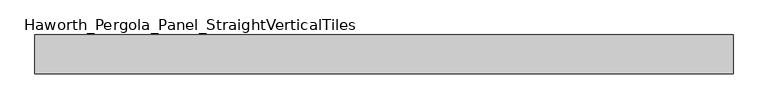
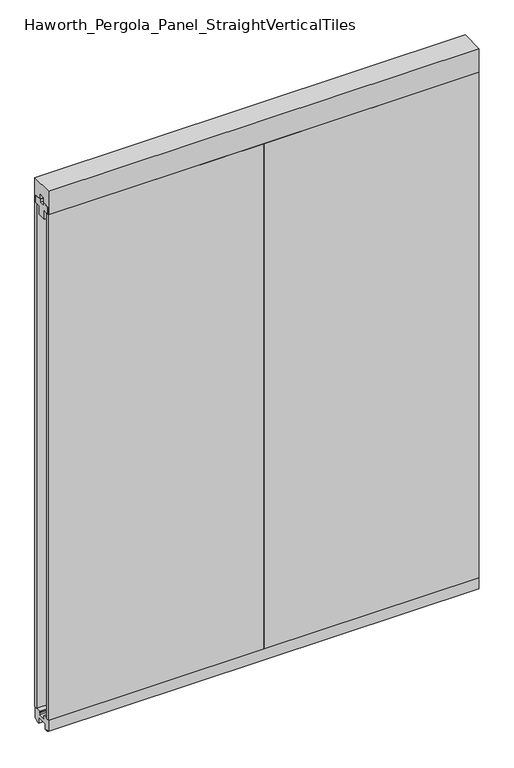
"""IFC4 building model written with IfcOpenShell, lengths in millimetres: furniture geometry, Haworth_Pergola_Panel_StraightVerticalTiles."""

from ifc_helpers import new_model, si_unit, frame, origin, place, context, project, spatial, polyline, outline, extrude, source, transform, mapped, element, save


def haworth_pergola_panel_straightverticaltiles_04e97be9(model_context):
    return source(origin(), model_context, "Body", "SweptSolid", [
        extrude(outline(polyline([(12.7, 2363.5890625), (44.45, 2363.5890625), (44.45, 2331.8390625), (19.05, 2331.8390625), (19.05, 2293.7390625), (-19.05, 2293.7390625), (-19.05, 2331.8390625), (-44.45, 2331.8390625), (-44.45, 2363.5890625), (-12.7, 2363.5890625), (-12.7, 2350.8890625), (12.7, 2350.8890625), (12.7, 2363.5890625)])), frame((38.1, 0.0, 0.0), z_axis=(1.0, 0.0, 0.0), x_axis=(0.0, 1.0, 0.0)), (0.0, 0.0, 1.0), 914.4),
        extrude(outline(polyline([(38.1, 50.8), (952.5, 50.8), (952.5, 38.1), (38.1, 38.1), (38.1, 50.8)])), frame((0.0, 0.0, 63.5), z_axis=(0.0, 0.0, 1.0), x_axis=(1.0, 0.0, 0.0)), (0.0, 0.0, 1.0), 2268.3390625),
        extrude(outline(polyline([(38.1, -38.1), (952.5, -38.1), (952.5, -50.8), (38.1, -50.8), (38.1, -38.1)])), frame((0.0, 0.0, 63.5), z_axis=(0.0, 0.0, 1.0), x_axis=(1.0, 0.0, 0.0)), (0.0, 0.0, 1.0), 2268.3390625),
        extrude(outline(polyline([(12.7, 2363.5890625), (44.45, 2363.5890625), (44.45, 2331.8390625), (19.05, 2331.8390625), (19.05, 2293.7390625), (-19.05, 2293.7390625), (-19.05, 2331.8390625), (-44.45, 2331.8390625), (-44.45, 2363.5890625), (-12.7, 2363.5890625), (-12.7, 2350.8890625), (12.7, 2350.8890625), (12.7, 2363.5890625)])), frame((-876.3, 0.0, 0.0), z_axis=(1.0, 0.0, 0.0), x_axis=(0.0, 1.0, 0.0)), (0.0, 0.0, 1.0), 914.4),
        extrude(outline(polyline([(-876.3, 50.8), (38.1, 50.8), (38.1, 38.1), (-876.3, 38.1), (-876.3, 50.8)])), frame((0.0, 0.0, 63.5), z_axis=(0.0, 0.0, 1.0), x_axis=(1.0, 0.0, 0.0)), (0.0, 0.0, 1.0), 2268.3390625),
        extrude(outline(polyline([(-876.3, -38.1), (38.1, -38.1), (38.1, -50.8), (-876.3, -50.8), (-876.3, -38.1)])), frame((0.0, 0.0, 63.5), z_axis=(0.0, 0.0, 1.0), x_axis=(1.0, 0.0, 0.0)), (0.0, 0.0, 1.0), 2268.3390625),
        extrude(outline(polyline([(-50.8, 2438.4), (50.8, 2438.4), (50.8, 2331.8390625), (15.2182948, 2331.8390625), (15.2182948, 2388.7001663), (-15.2182948, 2388.7001663), (-15.2182948, 2331.8390625), (-50.8, 2331.8390625), (-50.8, 2438.4)])), frame((-876.3, 0.0, 0.0), z_axis=(1.0, 0.0, 0.0), x_axis=(0.0, 1.0, 0.0)), (0.0, 0.0, 1.0), 1828.8),
        extrude(outline(polyline([(-16.2000002, 63.5), (-16.5085717, 61.7499999), (-13.3999996, 61.7499999), (-13.3999996, 58.8973461), (-15.4000002, 59.2499999), (-15.4000002, 48.3500004), (15.4000003, 48.3500004), (15.4000003, 59.2499999), (13.3999997, 58.8973461), (13.3999997, 61.7499999), (16.5085718, 61.7499999), (16.2000003, 63.5), (50.0000004, 63.5), (50.0000004, 12.6999985), (40.9499987, 12.6999985), (38.9499981, 10.6999979), (28.9499999, 10.6999979), (28.9499999, 7.6999994), (38.9499981, 7.6999994), (38.9499981, 5.6999988), (23.7499993, 5.6999988), (23.7499993, 31.4500009), (-23.7499992, 31.4500009), (-23.7499992, 5.6999988), (-38.949998, 5.6999988), (-38.949998, 7.6999994), (-28.9499998, 7.6999994), (-28.9499998, 10.6999979), (-38.949998, 10.6999979), (-40.9499986, 12.6999985), (-50.0000003, 12.6999985), (-50.0000003, 63.5), (-16.2000002, 63.5)])), frame((-876.3, 0.0, 0.0), z_axis=(1.0, 0.0, 0.0), x_axis=(0.0, 1.0, 0.0)), (0.0, 0.0, 1.0), 1828.8),
    ])


if __name__ == "__main__":
    model = new_model("IFC4")
    model_context = context("Model", 3, world=origin())
    ifc_project = project(units=[si_unit("LENGTHUNIT", "METRE", prefix="MILLI")], contexts=[model_context])
    site = spatial("IfcSite", under=ifc_project)
    building = spatial("IfcBuilding", under=site)
    placement = place(None, origin())
    haworth_pergola_panel_straightverticaltiles_shape = haworth_pergola_panel_straightverticaltiles_04e97be9(model_context)
    element("IfcFurniture", 1, ObjectType="Haworth_Pergola_Panel_StraightVerticalTiles", at=placement, inside=building, context=model_context, shape_type="MappedRepresentation", body=[
        mapped(haworth_pergola_panel_straightverticaltiles_shape, transform((0.0, 0.0, 0.0), x_axis=(1.0, 0.0, 0.0), y_axis=(0.0, 1.0, 0.0), z_axis=(0.0, 0.0, 1.0))),
    ])
    save(model, "model.ifc")
